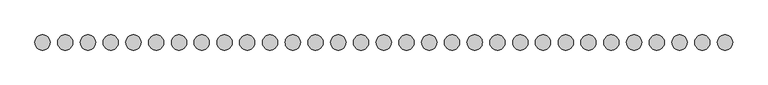
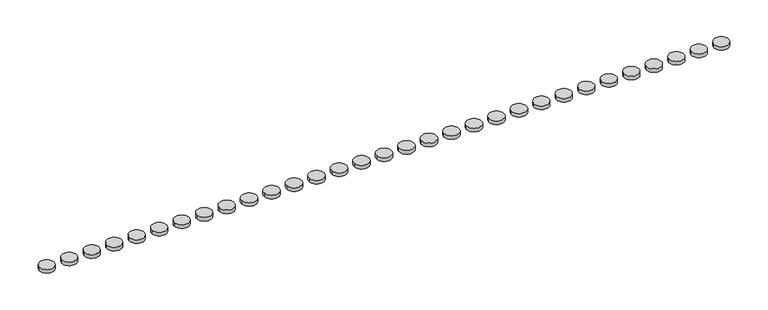
"""IFC4 building model written with IfcOpenShell, lengths in millimetres: proxy geometry."""

from ifc_helpers import new_model, si_unit, point, frame_2d, origin, origin_with_axes, origin_2d, place, context, project, spatial, circle_curve, trimmed, segment, composite_curve, outline, extrude, source, transform, mapped, element, save


def generic_models_7598e635(model_context):
    return source(origin(), model_context, "Body", "SweptSolid", [
        extrude(outline(composite_curve([segment(trimmed(circle_curve(frame_2d((4572.0, 0.0)), 50.8), [point((4521.2, 0.0))], [point((4622.8, 0.0))], False, "CARTESIAN"), True, "CONTINUOUS"), segment(trimmed(circle_curve(frame_2d((4572.0, 0.0)), 50.8), [point((4622.8, 0.0))], [point((4521.2, 0.0))], False, "CARTESIAN"), True, "CONTINUOUS")], self_intersect=False)), origin_with_axes(), (0.0, 0.0, 1.0), 25.4),
        extrude(outline(composite_curve([segment(trimmed(circle_curve(frame_2d((4419.6, 0.0)), 50.8), [point((4368.8, 0.0))], [point((4470.4, 0.0))], False, "CARTESIAN"), True, "CONTINUOUS"), segment(trimmed(circle_curve(frame_2d((4419.6, 0.0)), 50.8), [point((4470.4, 0.0))], [point((4368.8, 0.0))], False, "CARTESIAN"), True, "CONTINUOUS")], self_intersect=False)), origin_with_axes(), (0.0, 0.0, 1.0), 25.4),
        extrude(outline(composite_curve([segment(trimmed(circle_curve(frame_2d((4267.2, 0.0)), 50.8), [point((4216.4, 0.0))], [point((4318.0, 0.0))], False, "CARTESIAN"), True, "CONTINUOUS"), segment(trimmed(circle_curve(frame_2d((4267.2, 0.0)), 50.8), [point((4318.0, 0.0))], [point((4216.4, 0.0))], False, "CARTESIAN"), True, "CONTINUOUS")], self_intersect=False)), origin_with_axes(), (0.0, 0.0, 1.0), 25.4),
        extrude(outline(composite_curve([segment(trimmed(circle_curve(frame_2d((4114.8, 0.0)), 50.8), [point((4064.0, 0.0))], [point((4165.6, 0.0))], False, "CARTESIAN"), True, "CONTINUOUS"), segment(trimmed(circle_curve(frame_2d((4114.8, 0.0)), 50.8), [point((4165.6, 0.0))], [point((4064.0, 0.0))], False, "CARTESIAN"), True, "CONTINUOUS")], self_intersect=False)), origin_with_axes(), (0.0, 0.0, 1.0), 25.4),
        extrude(outline(composite_curve([segment(trimmed(circle_curve(frame_2d((3962.4, 0.0)), 50.8), [point((3911.6, 0.0))], [point((4013.2, 0.0))], False, "CARTESIAN"), True, "CONTINUOUS"), segment(trimmed(circle_curve(frame_2d((3962.4, 0.0)), 50.8), [point((4013.2, 0.0))], [point((3911.6, 0.0))], False, "CARTESIAN"), True, "CONTINUOUS")], self_intersect=False)), origin_with_axes(), (0.0, 0.0, 1.0), 25.4),
        extrude(outline(composite_curve([segment(trimmed(circle_curve(frame_2d((3810.0, 0.0)), 50.8), [point((3759.2, 0.0))], [point((3860.8, 0.0))], False, "CARTESIAN"), True, "CONTINUOUS"), segment(trimmed(circle_curve(frame_2d((3810.0, 0.0)), 50.8), [point((3860.8, 0.0))], [point((3759.2, 0.0))], False, "CARTESIAN"), True, "CONTINUOUS")], self_intersect=False)), origin_with_axes(), (0.0, 0.0, 1.0), 25.4),
        extrude(outline(composite_curve([segment(trimmed(circle_curve(frame_2d((3657.6, 0.0)), 50.8), [point((3606.8, 0.0))], [point((3708.4, 0.0))], False, "CARTESIAN"), True, "CONTINUOUS"), segment(trimmed(circle_curve(frame_2d((3657.6, 0.0)), 50.8), [point((3708.4, 0.0))], [point((3606.8, 0.0))], False, "CARTESIAN"), True, "CONTINUOUS")], self_intersect=False)), origin_with_axes(), (0.0, 0.0, 1.0), 25.4),
        extrude(outline(composite_curve([segment(trimmed(circle_curve(frame_2d((3505.2, 0.0)), 50.8), [point((3454.4, 0.0))], [point((3556.0, 0.0))], False, "CARTESIAN"), True, "CONTINUOUS"), segment(trimmed(circle_curve(frame_2d((3505.2, 0.0)), 50.8), [point((3556.0, 0.0))], [point((3454.4, 0.0))], False, "CARTESIAN"), True, "CONTINUOUS")], self_intersect=False)), origin_with_axes(), (0.0, 0.0, 1.0), 25.4),
        extrude(outline(composite_curve([segment(trimmed(circle_curve(frame_2d((3352.8, 0.0)), 50.8), [point((3302.0, 0.0))], [point((3403.6, 0.0))], False, "CARTESIAN"), True, "CONTINUOUS"), segment(trimmed(circle_curve(frame_2d((3352.8, 0.0)), 50.8), [point((3403.6, 0.0))], [point((3302.0, 0.0))], False, "CARTESIAN"), True, "CONTINUOUS")], self_intersect=False)), origin_with_axes(), (0.0, 0.0, 1.0), 25.4),
        extrude(outline(composite_curve([segment(trimmed(circle_curve(frame_2d((3200.4, 0.0)), 50.8), [point((3149.6, 0.0))], [point((3251.2, 0.0))], False, "CARTESIAN"), True, "CONTINUOUS"), segment(trimmed(circle_curve(frame_2d((3200.4, 0.0)), 50.8), [point((3251.2, 0.0))], [point((3149.6, 0.0))], False, "CARTESIAN"), True, "CONTINUOUS")], self_intersect=False)), origin_with_axes(), (0.0, 0.0, 1.0), 25.4),
        extrude(outline(composite_curve([segment(trimmed(circle_curve(frame_2d((3048.0, 0.0)), 50.8), [point((2997.2, 0.0))], [point((3098.8, 0.0))], False, "CARTESIAN"), True, "CONTINUOUS"), segment(trimmed(circle_curve(frame_2d((3048.0, 0.0)), 50.8), [point((3098.8, 0.0))], [point((2997.2, 0.0))], False, "CARTESIAN"), True, "CONTINUOUS")], self_intersect=False)), origin_with_axes(), (0.0, 0.0, 1.0), 25.4),
        extrude(outline(composite_curve([segment(trimmed(circle_curve(frame_2d((2895.6, 0.0)), 50.8), [point((2844.8, 0.0))], [point((2946.4, 0.0))], False, "CARTESIAN"), True, "CONTINUOUS"), segment(trimmed(circle_curve(frame_2d((2895.6, 0.0)), 50.8), [point((2946.4, 0.0))], [point((2844.8, 0.0))], False, "CARTESIAN"), True, "CONTINUOUS")], self_intersect=False)), origin_with_axes(), (0.0, 0.0, 1.0), 25.4),
        extrude(outline(composite_curve([segment(trimmed(circle_curve(frame_2d((2743.2, 0.0)), 50.8), [point((2692.4, 0.0))], [point((2794.0, 0.0))], False, "CARTESIAN"), True, "CONTINUOUS"), segment(trimmed(circle_curve(frame_2d((2743.2, 0.0)), 50.8), [point((2794.0, 0.0))], [point((2692.4, 0.0))], False, "CARTESIAN"), True, "CONTINUOUS")], self_intersect=False)), origin_with_axes(), (0.0, 0.0, 1.0), 25.4),
        extrude(outline(composite_curve([segment(trimmed(circle_curve(frame_2d((2590.8, 0.0)), 50.8), [point((2540.0, 0.0))], [point((2641.6, 0.0))], False, "CARTESIAN"), True, "CONTINUOUS"), segment(trimmed(circle_curve(frame_2d((2590.8, 0.0)), 50.8), [point((2641.6, 0.0))], [point((2540.0, 0.0))], False, "CARTESIAN"), True, "CONTINUOUS")], self_intersect=False)), origin_with_axes(), (0.0, 0.0, 1.0), 25.4),
        extrude(outline(composite_curve([segment(trimmed(circle_curve(frame_2d((2438.4, 0.0)), 50.8), [point((2387.6, 0.0))], [point((2489.2, 0.0))], False, "CARTESIAN"), True, "CONTINUOUS"), segment(trimmed(circle_curve(frame_2d((2438.4, 0.0)), 50.8), [point((2489.2, 0.0))], [point((2387.6, 0.0))], False, "CARTESIAN"), True, "CONTINUOUS")], self_intersect=False)), origin_with_axes(), (0.0, 0.0, 1.0), 25.4),
        extrude(outline(composite_curve([segment(trimmed(circle_curve(frame_2d((2286.0, 0.0)), 50.8), [point((2235.2, 0.0))], [point((2336.8, 0.0))], False, "CARTESIAN"), True, "CONTINUOUS"), segment(trimmed(circle_curve(frame_2d((2286.0, 0.0)), 50.8), [point((2336.8, 0.0))], [point((2235.2, 0.0))], False, "CARTESIAN"), True, "CONTINUOUS")], self_intersect=False)), origin_with_axes(), (0.0, 0.0, 1.0), 25.4),
        extrude(outline(composite_curve([segment(trimmed(circle_curve(frame_2d((2133.6, 0.0)), 50.8), [point((2082.8, 0.0))], [point((2184.4, 0.0))], False, "CARTESIAN"), True, "CONTINUOUS"), segment(trimmed(circle_curve(frame_2d((2133.6, 0.0)), 50.8), [point((2184.4, 0.0))], [point((2082.8, 0.0))], False, "CARTESIAN"), True, "CONTINUOUS")], self_intersect=False)), origin_with_axes(), (0.0, 0.0, 1.0), 25.4),
        extrude(outline(composite_curve([segment(trimmed(circle_curve(frame_2d((1981.2, 0.0)), 50.8), [point((1930.4, 0.0))], [point((2032.0, 0.0))], False, "CARTESIAN"), True, "CONTINUOUS"), segment(trimmed(circle_curve(frame_2d((1981.2, 0.0)), 50.8), [point((2032.0, 0.0))], [point((1930.4, 0.0))], False, "CARTESIAN"), True, "CONTINUOUS")], self_intersect=False)), origin_with_axes(), (0.0, 0.0, 1.0), 25.4),
        extrude(outline(composite_curve([segment(trimmed(circle_curve(frame_2d((1828.8, 0.0)), 50.8), [point((1778.0, 0.0))], [point((1879.6, 0.0))], False, "CARTESIAN"), True, "CONTINUOUS"), segment(trimmed(circle_curve(frame_2d((1828.8, 0.0)), 50.8), [point((1879.6, 0.0))], [point((1778.0, 0.0))], False, "CARTESIAN"), True, "CONTINUOUS")], self_intersect=False)), origin_with_axes(), (0.0, 0.0, 1.0), 25.4),
        extrude(outline(composite_curve([segment(trimmed(circle_curve(frame_2d((1676.4, 0.0)), 50.8), [point((1625.6, 0.0))], [point((1727.2, 0.0))], False, "CARTESIAN"), True, "CONTINUOUS"), segment(trimmed(circle_curve(frame_2d((1676.4, 0.0)), 50.8), [point((1727.2, 0.0))], [point((1625.6, 0.0))], False, "CARTESIAN"), True, "CONTINUOUS")], self_intersect=False)), origin_with_axes(), (0.0, 0.0, 1.0), 25.4),
        extrude(outline(composite_curve([segment(trimmed(circle_curve(frame_2d((1524.0, 0.0)), 50.8), [point((1473.2, 0.0))], [point((1574.8, 0.0))], False, "CARTESIAN"), True, "CONTINUOUS"), segment(trimmed(circle_curve(frame_2d((1524.0, 0.0)), 50.8), [point((1574.8, 0.0))], [point((1473.2, 0.0))], False, "CARTESIAN"), True, "CONTINUOUS")], self_intersect=False)), origin_with_axes(), (0.0, 0.0, 1.0), 25.4),
        extrude(outline(composite_curve([segment(trimmed(circle_curve(frame_2d((1371.6, 0.0)), 50.8), [point((1320.8, 0.0))], [point((1422.4, 0.0))], False, "CARTESIAN"), True, "CONTINUOUS"), segment(trimmed(circle_curve(frame_2d((1371.6, 0.0)), 50.8), [point((1422.4, 0.0))], [point((1320.8, 0.0))], False, "CARTESIAN"), True, "CONTINUOUS")], self_intersect=False)), origin_with_axes(), (0.0, 0.0, 1.0), 25.4),
        extrude(outline(composite_curve([segment(trimmed(circle_curve(frame_2d((1219.2, 0.0)), 50.8), [point((1168.4, 0.0))], [point((1270.0, 0.0))], False, "CARTESIAN"), True, "CONTINUOUS"), segment(trimmed(circle_curve(frame_2d((1219.2, 0.0)), 50.8), [point((1270.0, 0.0))], [point((1168.4, 0.0))], False, "CARTESIAN"), True, "CONTINUOUS")], self_intersect=False)), origin_with_axes(), (0.0, 0.0, 1.0), 25.4),
        extrude(outline(composite_curve([segment(trimmed(circle_curve(frame_2d((1066.8, 0.0)), 50.8), [point((1016.0, 0.0))], [point((1117.6, 0.0))], False, "CARTESIAN"), True, "CONTINUOUS"), segment(trimmed(circle_curve(frame_2d((1066.8, 0.0)), 50.8), [point((1117.6, 0.0))], [point((1016.0, 0.0))], False, "CARTESIAN"), True, "CONTINUOUS")], self_intersect=False)), origin_with_axes(), (0.0, 0.0, 1.0), 25.4),
        extrude(outline(composite_curve([segment(trimmed(circle_curve(frame_2d((914.4, 0.0)), 50.8), [point((863.6, 0.0))], [point((965.2, 0.0))], False, "CARTESIAN"), True, "CONTINUOUS"), segment(trimmed(circle_curve(frame_2d((914.4, 0.0)), 50.8), [point((965.2, 0.0))], [point((863.6, 0.0))], False, "CARTESIAN"), True, "CONTINUOUS")], self_intersect=False)), origin_with_axes(), (0.0, 0.0, 1.0), 25.4),
        extrude(outline(composite_curve([segment(trimmed(circle_curve(frame_2d((762.0, 0.0)), 50.8), [point((711.2, 0.0))], [point((812.8, 0.0))], False, "CARTESIAN"), True, "CONTINUOUS"), segment(trimmed(circle_curve(frame_2d((762.0, 0.0)), 50.8), [point((812.8, 0.0))], [point((711.2, 0.0))], False, "CARTESIAN"), True, "CONTINUOUS")], self_intersect=False)), origin_with_axes(), (0.0, 0.0, 1.0), 25.4),
        extrude(outline(composite_curve([segment(trimmed(circle_curve(frame_2d((609.6, 0.0)), 50.8), [point((558.8, 0.0))], [point((660.4, 0.0))], False, "CARTESIAN"), True, "CONTINUOUS"), segment(trimmed(circle_curve(frame_2d((609.6, 0.0)), 50.8), [point((660.4, 0.0))], [point((558.8, 0.0))], False, "CARTESIAN"), True, "CONTINUOUS")], self_intersect=False)), origin_with_axes(), (0.0, 0.0, 1.0), 25.4),
        extrude(outline(composite_curve([segment(trimmed(circle_curve(frame_2d((457.2, 0.0)), 50.8), [point((406.4, 0.0))], [point((508.0, 0.0))], False, "CARTESIAN"), True, "CONTINUOUS"), segment(trimmed(circle_curve(frame_2d((457.2, 0.0)), 50.8), [point((508.0, 0.0))], [point((406.4, 0.0))], False, "CARTESIAN"), True, "CONTINUOUS")], self_intersect=False)), origin_with_axes(), (0.0, 0.0, 1.0), 25.4),
        extrude(outline(composite_curve([segment(trimmed(circle_curve(frame_2d((304.8, 0.0)), 50.8), [point((254.0, 0.0))], [point((355.6, 0.0))], False, "CARTESIAN"), True, "CONTINUOUS"), segment(trimmed(circle_curve(frame_2d((304.8, 0.0)), 50.8), [point((355.6, 0.0))], [point((254.0, 0.0))], False, "CARTESIAN"), True, "CONTINUOUS")], self_intersect=False)), origin_with_axes(), (0.0, 0.0, 1.0), 25.4),
        extrude(outline(composite_curve([segment(trimmed(circle_curve(frame_2d((152.4, 0.0)), 50.8), [point((101.6, 0.0))], [point((203.2, 0.0))], False, "CARTESIAN"), True, "CONTINUOUS"), segment(trimmed(circle_curve(frame_2d((152.4, 0.0)), 50.8), [point((203.2, 0.0))], [point((101.6, 0.0))], False, "CARTESIAN"), True, "CONTINUOUS")], self_intersect=False)), origin_with_axes(), (0.0, 0.0, 1.0), 25.4),
        extrude(outline(composite_curve([segment(trimmed(circle_curve(origin_2d(), 50.8), [point((-50.8, 0.0))], [point((50.8, 0.0))], False, "CARTESIAN"), True, "CONTINUOUS"), segment(trimmed(circle_curve(origin_2d(), 50.8), [point((50.8, 0.0))], [point((-50.8, 0.0))], False, "CARTESIAN"), True, "CONTINUOUS")], self_intersect=False)), origin_with_axes(), (0.0, 0.0, 1.0), 25.4),
    ])


if __name__ == "__main__":
    model = new_model("IFC4")
    model_context = context("Model", 3, world=origin())
    ifc_project = project(units=[si_unit("LENGTHUNIT", "METRE", prefix="MILLI")], contexts=[model_context])
    site = spatial("IfcSite", under=ifc_project)
    building = spatial("IfcBuilding", under=site)
    placement = place(None, origin())
    generic_models_shape = generic_models_7598e635(model_context)
    element("IfcBuildingElementProxy", 1, Name="Generic Models", at=placement, inside=building, context=model_context, shape_type="MappedRepresentation", body=[
        mapped(generic_models_shape, transform((0.0, 0.0, 0.0), x_axis=(1.0, 0.0, 0.0), y_axis=(0.0, 1.0, 0.0), z_axis=(0.0, 0.0, 1.0))),
    ])
    save(model, "model.ifc")
